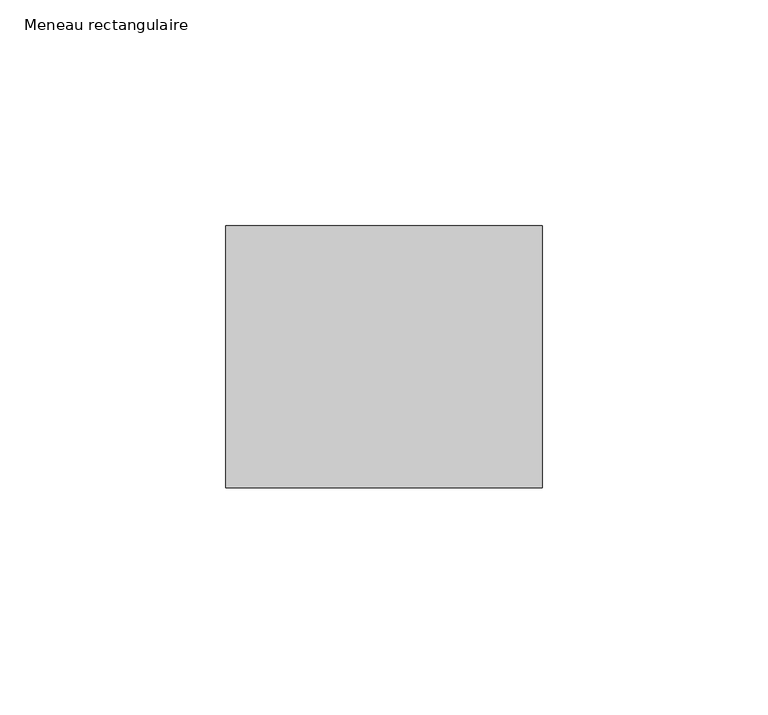
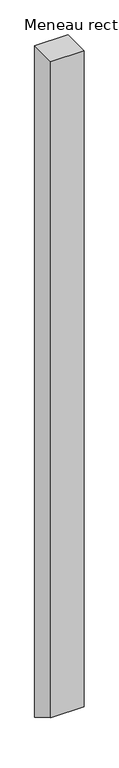
"""IFC4 building model written with IfcOpenShell, lengths in millimetres: member geometry, Meneau rectangulaire."""

from ifc_helpers import new_model, si_unit, frame, origin, place, context, project, spatial, polyline, outline, extrude, source, transform, mapped, element, save


def meneau_rectangulaire_e4aa964c(model_context):
    return source(origin(), model_context, "Body", "SweptSolid", [
        extrude(outline(polyline([(-29.0, 0.0), (29.0, 0.0), (29.0, -1484.9992318), (-29.0, -1451.5129162), (-29.0, 0.0)])), frame((-70.0, 0.0, 0.0), z_axis=(1.0, 0.0, 0.0), x_axis=(0.0, 1.0, 0.0)), (0.0, 0.0, 1.0), 70.0),
    ])


if __name__ == "__main__":
    model = new_model("IFC4")
    model_context = context("Model", 3, world=origin())
    ifc_project = project(units=[si_unit("LENGTHUNIT", "METRE", prefix="MILLI")], contexts=[model_context])
    site = spatial("IfcSite", under=ifc_project)
    building = spatial("IfcBuilding", under=site)
    placement = place(None, origin())
    meneau_rectangulaire_shape = meneau_rectangulaire_e4aa964c(model_context)
    element("IfcMember", 1, ObjectType="Meneau rectangulaire", at=placement, inside=building, context=model_context, shape_type="MappedRepresentation", body=[
        mapped(meneau_rectangulaire_shape, transform((0.0, 0.0, 0.0), x_axis=(1.0, 0.0, 0.0), y_axis=(0.0, 1.0, 0.0), z_axis=(0.0, 0.0, 1.0))),
    ])
    save(model, "model.ifc")
